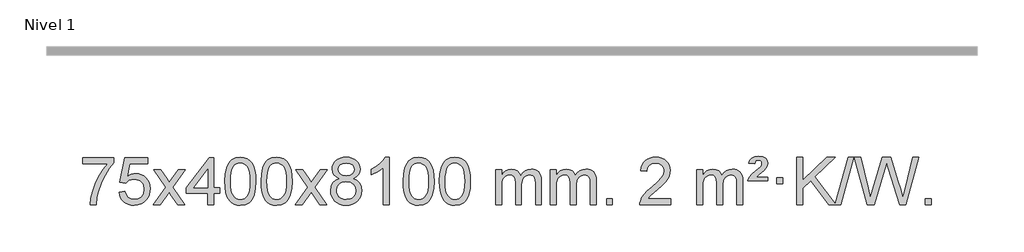
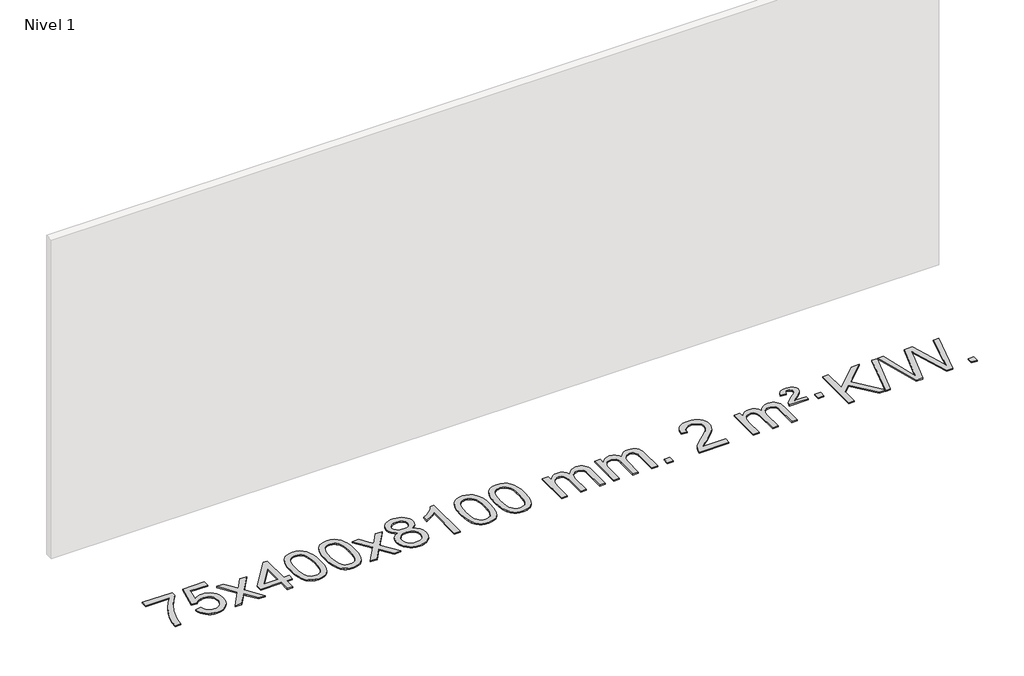
# One storey, part 3 of 21: 1 proxy.
"""IFC4 building model written with IfcOpenShell, lengths in millimetres."""

from ifc_helpers import new_model, si_unit, origin, origin_with_axes, place, context, project, spatial, polyline, outline, extrude, element, save

model = new_model("IFC4")

# Units and contexts
model_context = context("Model", 3, world=origin())
ifc_project = project(units=[si_unit("LENGTHUNIT", "METRE", prefix="MILLI")], contexts=[model_context])

# Site, building, storey
site = spatial("IfcSite", under=ifc_project)
building = spatial("IfcBuilding", under=site)
storey = spatial("IfcBuildingStorey", under=building, Name="Nivel 1", Elevation=0.0)

# Proxy
placement = place(None, origin())
element("IfcBuildingElementProxy", 1, Name="Texto de modelo 1", ObjectType="Texto de modelo 1", at=placement, inside=storey, context=model_context, shape_type="SweptSolid", body=[
    extrude(outline(polyline([(-12723.8644932, -9070.2608869), (-12723.8644932, -9020.0327318), (-12460.1666791, -9020.0327318), (-12460.1666791, -9060.646904), (-12497.7519563, -9108.214046), (-12534.9693515, -9168.7061088), (-12567.7966882, -9236.6048623), (-12592.2117899, -9306.3920768), (-12604.1802175, -9358.6067947), (-12610.8511443, -9415.579453), (-12661.0792994, -9415.579453), (-12655.6469086, -9363.8061935), (-12641.1155698, -9302.2717985), (-12617.8776904, -9237.0463207), (-12586.325678, -9174.1998132), (-12549.4884275, -9117.3865704), (-12510.3948342, -9070.2608869), (-12723.8644932, -9070.2608869)])), origin_with_axes(), (0.0, 0.0, 1.0), 10.0),
    extrude(outline(polyline([(-12416.2170434, -9308.8446235), (-12365.9888883, -9302.5661041), (-12356.767313, -9332.7201649), (-12340.6786071, -9354.3148381), (-12317.796347, -9367.3010725), (-12288.1941091, -9371.6298173), (-12269.0642453, -9370.1245668), (-12252.1907245, -9365.6088153), (-12237.5735466, -9358.0825628), (-12225.2127115, -9347.5458094), (-12215.3841309, -9334.519721), (-12208.3637161, -9319.5254641), (-12202.7473843, -9283.6324441), (-12208.0080969, -9249.8363514), (-12214.5839875, -9235.9181493), (-12223.7902345, -9223.9865099), (-12235.6574945, -9214.4154467), (-12250.2164245, -9207.5789729), (-12287.4092942, -9202.1097939), (-12311.775345, -9204.2925604), (-12331.5060827, -9210.8408599), (-12347.2636948, -9220.8717757), (-12359.7103689, -9233.5023908), (-12409.938524, -9227.2238715), (-12365.9888883, -9020.0327318), (-12171.3547874, -9020.0327318), (-12171.3547874, -9070.2608869), (-12325.3747161, -9070.2608869), (-12346.8590246, -9180.919791), (-12329.1332438, -9168.2155994), (-12310.9782673, -9159.1411769), (-12292.3940952, -9153.6965234), (-12273.3807274, -9151.8816388), (-12248.9196404, -9154.1318504), (-12226.4512476, -9160.882485), (-12205.9755488, -9172.1335427), (-12187.4925443, -9187.8850234), (-12172.191719, -9207.1743027), (-12161.262558, -9229.038756), (-12154.7050615, -9253.4783832), (-12152.5192293, -9280.4931844), (-12154.4873979, -9306.5147042), (-12160.391904, -9330.7213394), (-12170.2327473, -9353.1130902), (-12184.0099281, -9373.6899565), (-12204.8810999, -9394.7634634), (-12229.234888, -9409.8159684), (-12257.0712923, -9418.8474714), (-12288.3903128, -9421.8579724), (-12314.3106651, -9419.9235262), (-12337.7232884, -9414.1201877), (-12358.6281827, -9404.447957), (-12377.0253482, -9390.9068338), (-12392.3323049, -9374.1712688), (-12403.966573, -9354.915712), (-12411.9281525, -9333.1401636), (-12416.2170434, -9308.8446235)])), origin_with_axes(), (0.0, 0.0, 1.0), 10.0),
    extrude(outline(polyline([(-12127.4051517, -9415.579453), (-12020.081711, -9267.2494325), (-12121.1266323, -9120.4890419), (-12060.6958833, -9120.4890419), (-12011.9392562, -9191.122385), (-11989.1796234, -9224.4770192), (-11969.4611485, -9197.2047007), (-11913.9354927, -9120.4890419), (-11853.5047436, -9120.4890419), (-11959.6509619, -9267.2494325), (-11857.4288182, -9415.579453), (-11917.8595673, -9415.579453), (-11979.3694369, -9326.4048574), (-11990.6511514, -9310.1199477), (-12066.9744027, -9415.579453), (-12127.4051517, -9415.579453)])), origin_with_axes(), (0.0, 0.0, 1.0), 10.0),
    extrude(outline(polyline([(-11662.7947173, -9415.579453), (-11662.7947173, -9321.4016622), (-11844.8717794, -9321.4016622), (-11844.8717794, -9271.1735072), (-11650.2376785, -9020.0327318), (-11612.5665622, -9020.0327318), (-11612.5665622, -9271.1735072), (-11562.3384071, -9271.1735072), (-11562.3384071, -9321.4016622), (-11612.5665622, -9321.4016622), (-11612.5665622, -9415.579453), (-11662.7947173, -9415.579453)]), holes=[polyline([(-11662.7947173, -9271.1735072), (-11662.7947173, -9115.9763561), (-11783.0676042, -9271.1735072), (-11662.7947173, -9271.1735072)])]), origin_with_axes(), (0.0, 0.0, 1.0), 10.0),
    extrude(outline(polyline([(-11518.3887714, -9217.9041943), (-11514.6976888, -9153.5861588), (-11503.6244407, -9102.2911459), (-11485.2793919, -9063.2343407), (-11473.4213289, -9048.0009605), (-11459.7729069, -9035.6309284), (-11444.2881406, -9026.0598651), (-11426.9210447, -9019.2233914), (-11386.5398644, -9013.7542124), (-11355.5887258, -9016.991574), (-11327.8749489, -9026.7036586), (-11304.6983832, -9042.5103217), (-11287.3588785, -9064.0314184), (-11274.2622794, -9091.0830078), (-11263.8144308, -9123.4811488), (-11256.9718257, -9164.6226186), (-11254.6909573, -9217.9041943), (-11258.3452518, -9281.8543477), (-11269.3081352, -9333.0267333), (-11287.5428195, -9372.1203266), (-11299.3732913, -9387.3996922), (-11313.0125163, -9399.8341036), (-11328.5156767, -9409.4695462), (-11345.9379548, -9416.3520052), (-11386.5398644, -9421.8579724), (-11414.2045904, -9419.4667394), (-11438.7300568, -9412.2930405), (-11460.1162634, -9400.3368757), (-11478.3632104, -9383.5982449), (-11495.8743933, -9353.3399508), (-11508.3823812, -9315.6381776), (-11515.8871739, -9270.4929255), (-11518.3887714, -9217.9041943)]), holes=[polyline([(-11468.1606164, -9217.8060924), (-11466.6890884, -9261.4706195), (-11462.2745044, -9296.8148822), (-11454.9168645, -9323.8388804), (-11444.6161687, -9342.5426142), (-11432.1572318, -9355.2682656), (-11418.3248688, -9364.3580165), (-11403.1190796, -9369.8118671), (-11386.5398644, -9371.6298173), (-11369.9606491, -9369.8057357), (-11354.75486, -9364.3334911), (-11340.922497, -9355.2130833), (-11328.4635601, -9342.4445124), (-11318.1628642, -9323.7101217), (-11310.8052243, -9296.6922549), (-11306.3906404, -9261.3909118), (-11304.9191124, -9217.8060924), (-11306.3415894, -9175.2973278), (-11310.6090206, -9140.5753989), (-11317.7214058, -9113.6403055), (-11327.6787451, -9094.4920476), (-11339.9292156, -9081.1440625), (-11353.9209941, -9071.6097875), (-11369.6540808, -9065.8892225), (-11387.1284756, -9063.9823675), (-11403.6218517, -9065.6623619), (-11418.5701234, -9070.7023452), (-11431.9732908, -9079.1023175), (-11443.8313538, -9090.8622786), (-11454.4754062, -9111.708925), (-11462.0783007, -9139.8151094), (-11466.6400375, -9175.1808319), (-11468.1606164, -9217.8060924)])]), origin_with_axes(), (0.0, 0.0, 1.0), 10.0),
    extrude(outline(polyline([(-11210.7413216, -9217.9041943), (-11207.0502389, -9153.5861588), (-11195.9769909, -9102.2911459), (-11177.631942, -9063.2343407), (-11165.7738791, -9048.0009605), (-11152.125457, -9035.6309284), (-11136.6406907, -9026.0598651), (-11119.2735949, -9019.2233914), (-11078.8924145, -9013.7542124), (-11047.941276, -9016.991574), (-11020.227499, -9026.7036586), (-10997.0509333, -9042.5103217), (-10979.7114286, -9064.0314184), (-10966.6148296, -9091.0830078), (-10956.166981, -9123.4811488), (-10949.3243758, -9164.6226186), (-10947.0435075, -9217.9041943), (-10950.697802, -9281.8543477), (-10961.6606854, -9333.0267333), (-10979.8953696, -9372.1203266), (-10991.7258415, -9387.3996922), (-11005.3650664, -9399.8341036), (-11020.8682269, -9409.4695462), (-11038.290505, -9416.3520052), (-11078.8924145, -9421.8579724), (-11106.5571406, -9419.4667394), (-11131.0826069, -9412.2930405), (-11152.4688136, -9400.3368757), (-11170.7157605, -9383.5982449), (-11188.2269435, -9353.3399508), (-11200.7349313, -9315.6381776), (-11208.239724, -9270.4929255), (-11210.7413216, -9217.9041943)]), holes=[polyline([(-11160.5131665, -9217.8060924), (-11159.0416386, -9261.4706195), (-11154.6270546, -9296.8148822), (-11147.2694147, -9323.8388804), (-11136.9687188, -9342.5426142), (-11124.5097819, -9355.2682656), (-11110.6774189, -9364.3580165), (-11095.4716298, -9369.8118671), (-11078.8924145, -9371.6298173), (-11062.3131993, -9369.8057357), (-11047.1074102, -9364.3334911), (-11033.2750471, -9355.2130833), (-11020.8161102, -9342.4445124), (-11010.5154144, -9323.7101217), (-11003.1577745, -9296.6922549), (-10998.7431905, -9261.3909118), (-10997.2716625, -9217.8060924), (-10998.6941396, -9175.2973278), (-11002.9615707, -9140.5753989), (-11010.073956, -9113.6403055), (-11020.0312953, -9094.4920476), (-11032.2817658, -9081.1440625), (-11046.2735443, -9071.6097875), (-11062.006631, -9065.8892225), (-11079.4810257, -9063.9823675), (-11095.9744019, -9065.6623619), (-11110.9226736, -9070.7023452), (-11124.3258409, -9079.1023175), (-11136.1839039, -9090.8622786), (-11146.8279563, -9111.708925), (-11154.4308509, -9139.8151094), (-11158.9925876, -9175.1808319), (-11160.5131665, -9217.8060924)])]), origin_with_axes(), (0.0, 0.0, 1.0), 10.0),
    extrude(outline(polyline([(-10921.9294299, -9415.579453), (-10814.6059892, -9267.2494325), (-10915.6509105, -9120.4890419), (-10855.2201615, -9120.4890419), (-10806.4635344, -9191.122385), (-10783.7039016, -9224.4770192), (-10763.9854267, -9197.2047007), (-10708.4597709, -9120.4890419), (-10648.0290218, -9120.4890419), (-10754.1752401, -9267.2494325), (-10651.9530964, -9415.579453), (-10712.3838455, -9415.579453), (-10773.8937151, -9326.4048574), (-10785.1754296, -9310.1199477), (-10861.4986809, -9415.579453), (-10921.9294299, -9415.579453)])), origin_with_axes(), (0.0, 0.0, 1.0), 10.0),
    extrude(outline(polyline([(-10547.3765079, -9194.2616447), (-10574.2686818, -9181.0178929), (-10593.1410281, -9163.0652515), (-10604.2878526, -9140.7716026), (-10608.0034607, -9114.5048281), (-10605.9801097, -9094.0199324), (-10599.9100568, -9075.2395565), (-10589.793302, -9058.1637006), (-10575.6298451, -9042.7923645), (-10558.1002681, -9030.088173), (-10537.8851524, -9021.0137504), (-10514.9844982, -9015.5690969), (-10489.3983055, -9013.7542124), (-10463.6894854, -9015.6120165), (-10440.6171529, -9021.1854287), (-10420.1813081, -9030.4744491), (-10402.3819509, -9043.4790776), (-10387.9609767, -9059.1508506), (-10377.6602808, -9076.4413044), (-10371.4798633, -9095.3504389), (-10369.4197241, -9115.8782543), (-10373.0862813, -9141.2989001), (-10384.085953, -9163.2124043), (-10402.5413664, -9181.0546811), (-10428.5751489, -9194.2616447), (-10397.6607986, -9210.1909351), (-10375.1586832, -9233.6495436), (-10361.4366848, -9263.5092989), (-10356.8626853, -9298.6420295), (-10359.131291, -9323.6947933), (-10365.9371079, -9346.6628926), (-10377.2801361, -9367.5463272), (-10393.1603755, -9386.3450971), (-10412.7439604, -9401.88198), (-10435.1970248, -9412.9797536), (-10460.5195688, -9419.6384177), (-10488.7115924, -9421.8579724), (-10516.903616, -9419.6292206), (-10542.22616, -9412.9429654), (-10564.6792244, -9401.7992066), (-10584.2628093, -9386.1979443), (-10600.1430488, -9367.26735), (-10611.4860769, -9346.135595), (-10618.2918938, -9322.8026795), (-10620.5604995, -9297.2686033), (-10615.802559, -9260.7747094), (-10601.5287376, -9230.7555386), (-10578.4747992, -9208.2411605), (-10547.3765079, -9194.2616447)]), holes=[polyline([(-10570.3323444, -9295.5027698), (-10568.235417, -9314.7184726), (-10561.9446349, -9333.3210389), (-10550.3318266, -9349.5446349), (-10532.2688206, -9361.623427), (-10510.6373593, -9369.1282197), (-10488.319185, -9371.6298173), (-10454.1306849, -9366.3691048), (-10440.2370082, -9359.7932141), (-10428.4770471, -9350.5869672), (-10412.4373921, -9326.6869002), (-10407.0908404, -9297.0723996), (-10412.6090703, -9266.9551269), (-10429.1637601, -9242.5277625), (-10441.2425523, -9233.0854579), (-10455.4060091, -9226.3409547), (-10489.9869167, -9220.9453521), (-10523.6971702, -9226.2673783), (-10537.434497, -9232.919911), (-10549.0932906, -9242.2334569), (-10565.0225809, -9266.1948375), (-10570.3323444, -9295.5027698)]), polyline([(-10557.7753056, -9115.9763561), (-10553.3239335, -9137.902123), (-10539.9698171, -9155.413306), (-10518.1053638, -9166.8912243), (-10488.1229812, -9170.717197), (-10458.8395744, -9166.9157497), (-10437.306215, -9155.5114079), (-10424.0624631, -9138.5888361), (-10419.6478792, -9118.232699), (-10424.2096159, -9097.1040098), (-10437.8948261, -9079.629615), (-10459.7224912, -9067.8941794), (-10488.7115924, -9063.9823675), (-10517.8846346, -9067.8083402), (-10539.6755115, -9079.2862585), (-10553.2503571, -9096.1107284), (-10557.7753056, -9115.9763561)])]), origin_with_axes(), (0.0, 0.0, 1.0), 10.0),
    extrude(outline(polyline([(-10124.5574681, -9415.579453), (-10174.7856232, -9415.579453), (-10174.7856232, -9102.4382987), (-10195.7548969, -9119.3976587), (-10222.3650279, -9136.3324932), (-10275.2419333, -9161.6918254), (-10275.2419333, -9114.2105225), (-10235.7927207, -9092.7507395), (-10201.6164834, -9067.219729), (-10174.6752586, -9040.0700378), (-10156.9310837, -9013.7542124), (-10124.5574681, -9013.7542124), (-10124.5574681, -9415.579453)])), origin_with_axes(), (0.0, 0.0, 1.0), 10.0),
    extrude(outline(polyline([(-10005.2655998, -9217.9041943), (-10001.5745171, -9153.5861588), (-9990.5012691, -9102.2911459), (-9972.1562203, -9063.2343407), (-9960.2981573, -9048.0009605), (-9946.6497353, -9035.6309284), (-9931.1649689, -9026.0598651), (-9913.7978731, -9019.2233914), (-9873.4166927, -9013.7542124), (-9842.4655542, -9016.991574), (-9814.7517772, -9026.7036586), (-9791.5752116, -9042.5103217), (-9774.2357068, -9064.0314184), (-9761.1391078, -9091.0830078), (-9750.6912592, -9123.4811488), (-9743.848654, -9164.6226186), (-9741.5677857, -9217.9041943), (-9745.2220802, -9281.8543477), (-9756.1849636, -9333.0267333), (-9774.4196478, -9372.1203266), (-9786.2501197, -9387.3996922), (-9799.8893446, -9399.8341036), (-9815.3925051, -9409.4695462), (-9832.8147832, -9416.3520052), (-9873.4166927, -9421.8579724), (-9901.0814188, -9419.4667394), (-9925.6068851, -9412.2930405), (-9946.9930918, -9400.3368757), (-9965.2400387, -9383.5982449), (-9982.7512217, -9353.3399508), (-9995.2592095, -9315.6381776), (-10002.7640023, -9270.4929255), (-10005.2655998, -9217.9041943)]), holes=[polyline([(-9955.0374447, -9217.8060924), (-9953.5659168, -9261.4706195), (-9949.1513328, -9296.8148822), (-9941.7936929, -9323.8388804), (-9931.4929971, -9342.5426142), (-9919.0340601, -9355.2682656), (-9905.2016971, -9364.3580165), (-9889.995908, -9369.8118671), (-9873.4166927, -9371.6298173), (-9856.8374775, -9369.8057357), (-9841.6316884, -9364.3334911), (-9827.7993253, -9355.2130833), (-9815.3403884, -9342.4445124), (-9805.0396926, -9323.7101217), (-9797.6820527, -9296.6922549), (-9793.2674687, -9261.3909118), (-9791.7959408, -9217.8060924), (-9793.2184178, -9175.2973278), (-9797.4858489, -9140.5753989), (-9804.5982342, -9113.6403055), (-9814.5555735, -9094.4920476), (-9826.806044, -9081.1440625), (-9840.7978225, -9071.6097875), (-9856.5309092, -9065.8892225), (-9874.0053039, -9063.9823675), (-9890.4986801, -9065.6623619), (-9905.4469518, -9070.7023452), (-9918.8501192, -9079.1023175), (-9930.7081821, -9090.8622786), (-9941.3522345, -9111.708925), (-9948.9551291, -9139.8151094), (-9953.5168658, -9175.1808319), (-9955.0374447, -9217.8060924)])]), origin_with_axes(), (0.0, 0.0, 1.0), 10.0),
    extrude(outline(polyline([(-9697.61815, -9217.9041943), (-9693.9270673, -9153.5861588), (-9682.8538192, -9102.2911459), (-9664.5087704, -9063.2343407), (-9652.6507074, -9048.0009605), (-9639.0022854, -9035.6309284), (-9623.5175191, -9026.0598651), (-9606.1504233, -9019.2233914), (-9565.7692429, -9013.7542124), (-9534.8181044, -9016.991574), (-9507.1043274, -9026.7036586), (-9483.9277617, -9042.5103217), (-9466.588257, -9064.0314184), (-9453.491658, -9091.0830078), (-9443.0438093, -9123.4811488), (-9436.2012042, -9164.6226186), (-9433.9203358, -9217.9041943), (-9437.5746303, -9281.8543477), (-9448.5375138, -9333.0267333), (-9466.772198, -9372.1203266), (-9478.6026698, -9387.3996922), (-9492.2418948, -9399.8341036), (-9507.7450552, -9409.4695462), (-9525.1673334, -9416.3520052), (-9565.7692429, -9421.8579724), (-9593.433969, -9419.4667394), (-9617.9594353, -9412.2930405), (-9639.3456419, -9400.3368757), (-9657.5925889, -9383.5982449), (-9675.1037719, -9353.3399508), (-9687.6117597, -9315.6381776), (-9695.1165524, -9270.4929255), (-9697.61815, -9217.9041943)]), holes=[polyline([(-9647.3899949, -9217.8060924), (-9645.9184669, -9261.4706195), (-9641.503883, -9296.8148822), (-9634.1462431, -9323.8388804), (-9623.8455472, -9342.5426142), (-9611.3866103, -9355.2682656), (-9597.5542473, -9364.3580165), (-9582.3484582, -9369.8118671), (-9565.7692429, -9371.6298173), (-9549.1900277, -9369.8057357), (-9533.9842385, -9364.3334911), (-9520.1518755, -9355.2130833), (-9507.6929386, -9342.4445124), (-9497.3922427, -9323.7101217), (-9490.0346028, -9296.6922549), (-9485.6200189, -9261.3909118), (-9484.1484909, -9217.8060924), (-9485.570968, -9175.2973278), (-9489.8383991, -9140.5753989), (-9496.9507843, -9113.6403055), (-9506.9081237, -9094.4920476), (-9519.1585941, -9081.1440625), (-9533.1503727, -9071.6097875), (-9548.8834593, -9065.8892225), (-9566.3578541, -9063.9823675), (-9582.8512302, -9065.6623619), (-9597.799502, -9070.7023452), (-9611.2026693, -9079.1023175), (-9623.0607323, -9090.8622786), (-9633.7047847, -9111.708925), (-9641.3076793, -9139.8151094), (-9645.869416, -9175.1808319), (-9647.3899949, -9217.8060924)])]), origin_with_axes(), (0.0, 0.0, 1.0), 10.0),
    extrude(outline(polyline([(-9220.4506768, -9415.579453), (-9220.4506768, -9120.4890419), (-9170.2225217, -9120.4890419), (-9170.2225217, -9169.0494653), (-9155.1148344, -9146.7435537), (-9135.6906651, -9129.2691589), (-9112.6122013, -9117.9751816), (-9086.5416305, -9114.2105225), (-9058.6071244, -9118.048758), (-9036.2153736, -9129.5634645), (-9019.4890055, -9147.9943524), (-9008.5506476, -9172.5811324), (-8990.2423869, -9147.0439906), (-8969.3589523, -9128.803175), (-8945.9003438, -9117.8586857), (-8919.8665612, -9114.2105225), (-8899.7587445, -9115.7280358), (-8882.1096058, -9120.2805755), (-8866.9191451, -9127.8681416), (-8854.1873624, -9138.4907342), (-8844.1227241, -9152.2709806), (-8836.9336968, -9169.3315082), (-8832.6202804, -9189.6723168), (-8831.1824749, -9213.2934066), (-8831.1824749, -9415.579453), (-8881.41063, -9415.579453), (-8881.41063, -9234.875817), (-8882.5755897, -9209.8230531), (-8886.0704686, -9192.9372695), (-8892.6187681, -9181.3735121), (-8902.9439895, -9172.2868268), (-8916.2245295, -9166.4007149), (-8931.6387851, -9164.4386776), (-8958.84979, -9169.4663982), (-8981.0330743, -9184.54956), (-8989.6384473, -9196.1194488), (-8995.7851423, -9210.7182326), (-9000.7024983, -9249.0024856), (-9000.7024983, -9415.579453), (-9050.9306534, -9415.579453), (-9050.9306534, -9229.2840106), (-9053.8369212, -9200.8835206), (-9062.5557244, -9180.6254854), (-9077.8964036, -9168.4853796), (-9100.6682991, -9164.4386776), (-9120.0188921, -9167.1364789), (-9137.8489061, -9175.2298828), (-9152.5641859, -9188.5226856), (-9162.5705762, -9206.8186835), (-9168.3095353, -9232.2025411), (-9170.2225217, -9266.7589232), (-9170.2225217, -9415.579453), (-9220.4506768, -9415.579453)])), origin_with_axes(), (0.0, 0.0, 1.0), 10.0),
    extrude(outline(polyline([(-8755.8402423, -9415.579453), (-8755.8402423, -9120.4890419), (-8705.6120873, -9120.4890419), (-8705.6120873, -9169.0494653), (-8690.5044, -9146.7435537), (-8671.0802306, -9129.2691589), (-8648.0017668, -9117.9751816), (-8621.9311961, -9114.2105225), (-8593.9966899, -9118.048758), (-8571.6049391, -9129.5634645), (-8554.8785711, -9147.9943524), (-8543.9402131, -9172.5811324), (-8525.6319525, -9147.0439906), (-8504.7485179, -9128.803175), (-8481.2899093, -9117.8586857), (-8455.2561268, -9114.2105225), (-8435.1483101, -9115.7280358), (-8417.4991714, -9120.2805755), (-8402.3087107, -9127.8681416), (-8389.5769279, -9138.4907342), (-8379.5122897, -9152.2709806), (-8372.3232624, -9169.3315082), (-8368.009846, -9189.6723168), (-8366.5720405, -9213.2934066), (-8366.5720405, -9415.579453), (-8416.8001956, -9415.579453), (-8416.8001956, -9234.875817), (-8417.9651552, -9209.8230531), (-8421.4600342, -9192.9372695), (-8428.0083337, -9181.3735121), (-8438.333555, -9172.2868268), (-8451.6140951, -9166.4007149), (-8467.0283507, -9164.4386776), (-8494.2393556, -9169.4663982), (-8516.4226399, -9184.54956), (-8525.0280129, -9196.1194488), (-8531.1747079, -9210.7182326), (-8536.0920639, -9249.0024856), (-8536.0920639, -9415.579453), (-8586.320219, -9415.579453), (-8586.320219, -9229.2840106), (-8589.2264867, -9200.8835206), (-8597.94529, -9180.6254854), (-8613.2859692, -9168.4853796), (-8636.0578647, -9164.4386776), (-8655.4084576, -9167.1364789), (-8673.2384717, -9175.2298828), (-8687.9537515, -9188.5226856), (-8697.9601418, -9206.8186835), (-8703.6991009, -9232.2025411), (-8705.6120873, -9266.7589232), (-8705.6120873, -9415.579453), (-8755.8402423, -9415.579453)])), origin_with_axes(), (0.0, 0.0, 1.0), 10.0),
    extrude(outline(polyline([(-8278.6727691, -9415.579453), (-8278.6727691, -9365.3512979), (-8228.444614, -9365.3512979), (-8228.444614, -9415.579453), (-8278.6727691, -9415.579453)])), origin_with_axes(), (0.0, 0.0, 1.0), 10.0),
    extrude(outline(polyline([(-7732.4415827, -9365.3512979), (-7732.4415827, -9415.579453), (-7996.1393968, -9415.579453), (-7995.0357508, -9397.8965918), (-7990.7437942, -9380.9494945), (-7978.3584337, -9353.8856424), (-7960.2341141, -9327.6311307), (-7934.0163906, -9300.1503456), (-7897.3508184, -9269.4076736), (-7843.1495378, -9221.2641831), (-7810.6287694, -9185.7267824), (-7794.3683852, -9156.884834), (-7788.9482571, -9128.8277005), (-7794.0618169, -9103.6768347), (-7809.4024961, -9082.7688747), (-7832.983732, -9068.6789943), (-7862.8189618, -9063.9823675), (-7894.150245, -9068.5686297), (-7918.4917704, -9082.3274163), (-7934.2003316, -9104.1796068), (-7939.6327224, -9133.0460807), (-7989.8608774, -9126.7675613), (-7985.5413297, -9100.838012), (-7977.6839834, -9078.1826125), (-7966.2888386, -9058.8013627), (-7951.3558953, -9042.6942627), (-7933.22851, -9030.0329907), (-7912.2500392, -9020.989225), (-7888.420483, -9015.5629655), (-7861.7398413, -9013.7542124), (-7834.8200763, -9015.7653006), (-7810.8617613, -9021.7985654), (-7789.8648964, -9031.8540066), (-7771.8294816, -9045.9316242), (-7757.3441281, -9062.9890861), (-7746.997447, -9081.9840598), (-7740.7894383, -9102.9165453), (-7738.7201021, -9125.7865427), (-7740.9519195, -9149.8092369), (-7747.6473718, -9173.4149983), (-7759.5299603, -9197.4254299), (-7777.3231861, -9222.6621347), (-7805.6868879, -9252.7916701), (-7849.2809044, -9291.4805933), (-7907.0629031, -9339.795762), (-7929.724434, -9365.3512979), (-7732.4415827, -9365.3512979)])), origin_with_axes(), (0.0, 0.0, 1.0), 10.0),
    extrude(outline(polyline([(-7512.6934042, -9415.579453), (-7512.6934042, -9120.4890419), (-7462.4652492, -9120.4890419), (-7462.4652492, -9169.0494653), (-7447.3575619, -9146.7435537), (-7427.9333925, -9129.2691589), (-7404.8549287, -9117.9751816), (-7378.784358, -9114.2105225), (-7350.8498518, -9118.048758), (-7328.458101, -9129.5634645), (-7311.731733, -9147.9943524), (-7300.793375, -9172.5811324), (-7282.4851144, -9147.0439906), (-7261.6016798, -9128.803175), (-7238.1430712, -9117.8586857), (-7212.1092887, -9114.2105225), (-7192.001472, -9115.7280358), (-7174.3523333, -9120.2805755), (-7159.1618725, -9127.8681416), (-7146.4300898, -9138.4907342), (-7136.3654516, -9152.2709806), (-7129.1764243, -9169.3315082), (-7124.8630079, -9189.6723168), (-7123.4252024, -9213.2934066), (-7123.4252024, -9415.579453), (-7173.6533575, -9415.579453), (-7173.6533575, -9234.875817), (-7174.8183171, -9209.8230531), (-7178.3131961, -9192.9372695), (-7184.8614956, -9181.3735121), (-7195.1867169, -9172.2868268), (-7208.467257, -9166.4007149), (-7223.8815126, -9164.4386776), (-7251.0925175, -9169.4663982), (-7273.2758018, -9184.54956), (-7281.8811748, -9196.1194488), (-7288.0278698, -9210.7182326), (-7292.9452258, -9249.0024856), (-7292.9452258, -9415.579453), (-7343.1733809, -9415.579453), (-7343.1733809, -9229.2840106), (-7346.0796486, -9200.8835206), (-7354.7984519, -9180.6254854), (-7370.1391311, -9168.4853796), (-7392.9110266, -9164.4386776), (-7412.2616195, -9167.1364789), (-7430.0916336, -9175.2298828), (-7444.8069134, -9188.5226856), (-7454.8133037, -9206.8186835), (-7460.5522628, -9232.2025411), (-7462.4652492, -9266.7589232), (-7462.4652492, -9415.579453), (-7512.6934042, -9415.579453)])), origin_with_axes(), (0.0, 0.0, 1.0), 10.0),
    extrude(outline(polyline([(-7079.4755667, -9214.6668327), (-7075.649594, -9198.8479069), (-7067.3109354, -9182.9799302), (-7045.8021014, -9157.8413272), (-7013.8454188, -9130.1030247), (-6969.6995793, -9092.726214), (-6962.5626686, -9081.1992448), (-6960.1836984, -9069.3779701), (-6962.0721593, -9057.2869152), (-6967.737542, -9047.5012541), (-6977.1062702, -9041.026531), (-6990.1047673, -9038.8682899), (-7002.5391788, -9040.4869707), (-7011.3928721, -9045.343013), (-7017.8185443, -9054.8098431), (-7022.9688923, -9070.2608869), (-7073.1970473, -9063.9823675), (-7062.3567912, -9038.7701881), (-7045.728525, -9021.2099542), (-7021.9633481, -9010.9092583), (-6989.7123599, -9007.475693), (-6953.9297045, -9011.6082341), (-6929.1835089, -9024.0058573), (-6914.7625347, -9042.3386434), (-6909.9555433, -9064.2766731), (-6914.0512962, -9087.1834586), (-6926.3385549, -9108.8149199), (-6946.8663702, -9128.6314968), (-6983.3357386, -9156.6886303), (-7008.9403255, -9183.2742358), (-6909.9555433, -9183.2742358), (-6909.9555433, -9214.6668327), (-7079.4755667, -9214.6668327)])), origin_with_axes(), (0.0, 0.0, 1.0), 10.0),
    extrude(outline(polyline([(-6834.6133107, -9239.7809102), (-6834.6133107, -9189.5527552), (-6784.3851556, -9189.5527552), (-6784.3851556, -9239.7809102), (-6834.6133107, -9239.7809102)])), origin_with_axes(), (0.0, 0.0, 1.0), 10.0),
    extrude(outline(polyline([(-6393.7435277, -9415.579453), (-6547.1748452, -9212.9009991), (-6614.8651323, -9277.4520265), (-6614.8651323, -9415.579453), (-6665.0932873, -9415.579453), (-6665.0932873, -9013.7542124), (-6614.8651323, -9013.7542124), (-6614.8651323, -9210.4484525), (-6408.851215, -9013.7542124), (-6338.6102794, -9013.7542124), (-6511.563868, -9178.9577537), (-6336.9102582, -9409.5349332), (-6225.5969304, -9013.7542124), (-6180.2738686, -9013.7542124), (-6293.2872176, -9415.579453), (-6332.33176, -9415.579453), (-6338.6102794, -9415.579453), (-6393.7435277, -9415.579453)])), origin_with_axes(), (0.0, 0.0, 1.0), 10.0),
    extrude(outline(polyline([(-6065.7889917, -9415.579453), (-6175.3687754, -9013.7542124), (-6123.5709904, -9013.7542124), (-6060.0009817, -9277.844434), (-6040.3806086, -9359.3670841), (-6019.3868094, -9287.2622131), (-5939.7280947, -9013.7542124), (-5865.0725752, -9013.7542124), (-5807.1924746, -9212.0180823), (-5782.3972281, -9285.5944814), (-5764.1257557, -9359.3670841), (-5745.0939938, -9280.1988788), (-5680.9353738, -9013.7542124), (-5629.1375889, -9013.7542124), (-5738.8154744, -9415.579453), (-5792.4771948, -9415.579453), (-5888.8132266, -9105.5775584), (-5902.2531821, -9062.3146358), (-5917.3608694, -9114.4067263), (-6005.1620389, -9415.579453), (-6065.7889917, -9415.579453)])), origin_with_axes(), (0.0, 0.0, 1.0), 10.0),
    extrude(outline(polyline([(-5572.6309145, -9415.579453), (-5572.6309145, -9365.3512979), (-5522.4027594, -9365.3512979), (-5522.4027594, -9415.579453), (-5572.6309145, -9415.579453)])), origin_with_axes(), (0.0, 0.0, 1.0), 10.0),
])

save(model, "model.ifc")
